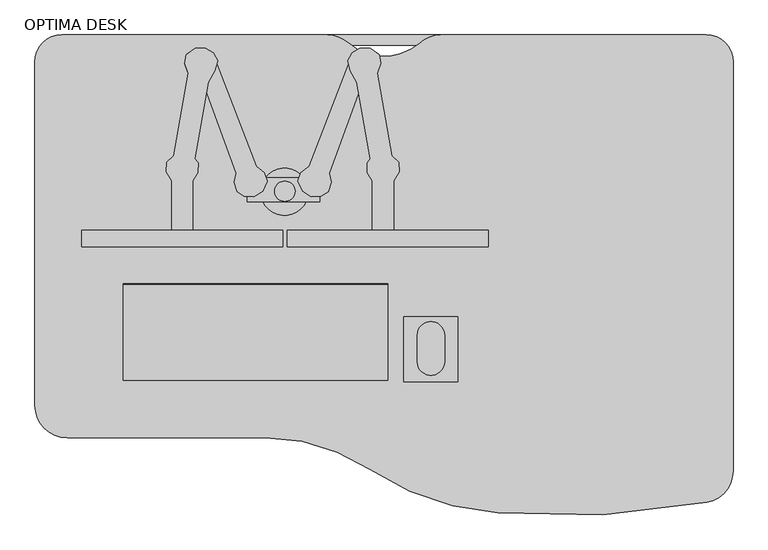
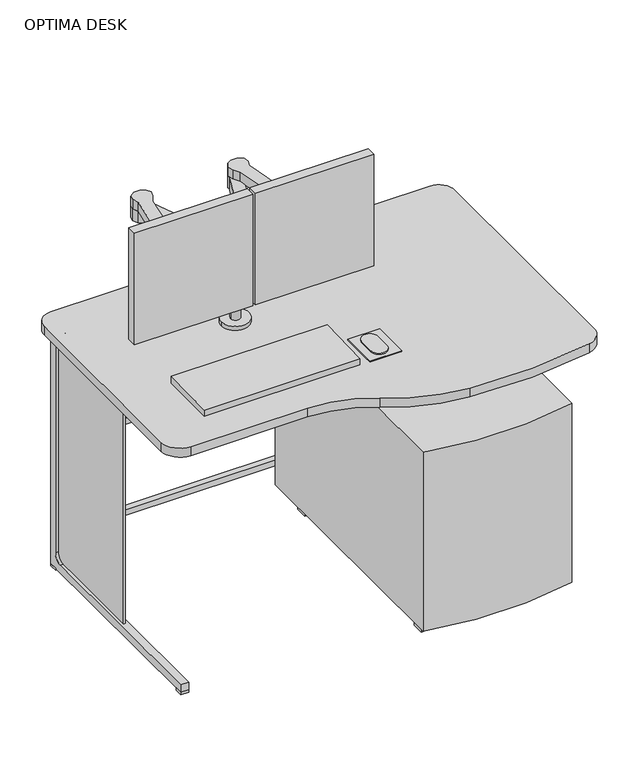
"""IFC4 building model written with IfcOpenShell, lengths in millimetres: proxy geometry, OPTIMA DESK."""

from ifc_helpers import new_model, si_unit, point, frame, frame_2d, origin, origin_with_axes, place, context, project, spatial, polyline, circle_curve, trimmed, segment, composite_curve, outline, extrude, source, transform, mapped, element, save
from ifc_brep_helpers import plane_surface, cylinder_surface, revolved_surface, advanced_brep


def optima_desk_09f1cd63(model_context):
    return source(origin(), model_context, "Body", "SolidModel", [
        advanced_brep(
        [(1249.99999, -127.1247, 850.0345549), (755.83009, -127.1247, 850.0345549), (716.143822, -142.1246985, 850.0345549), (583.8179801, -142.0909695, 850.0345549), (544.16999, -127.1247, 850.0345549), (50.0, -127.1247, 850.0345549), (0.0, -177.1247, 850.0345549), (0.0, -817.1247, 850.0345549), (60.0, -877.1247, 850.0345549), (429.30684, -877.1247, 850.0345549), (623.5856666, -935.9963133, 850.0345549), (862.2149998, -1016.6065319, 850.0345549), (1251.0591279, -997.5394888, 850.0345549), (1299.99999, -938.5675, 850.0345549), (1299.99999, -177.1247, 850.0345549), (1249.99999, -127.1247, 820.42), (1299.99999, -177.1247, 820.42), (1299.99999, -938.5675, 820.42), (1251.0591279, -997.5394888, 820.42), (862.2149998, -1016.6065319, 820.42), (623.5856666, -935.9963133, 820.42), (429.30684, -877.1247, 820.42), (60.0, -877.1247, 820.42), (0.0, -817.1247, 820.42), (0.0, -177.1247, 820.42), (50.0, -127.1247, 820.42), (544.16999, -127.1247, 820.42), (583.8179801, -142.0909695, 820.42), (716.14377, -142.1247024, 820.42), (755.83009, -127.1247, 820.42)],
        [
            (0, 1),
            (1, 2, circle_curve(frame((755.83009, -187.1247, 850.0345549), z_axis=(0.0, 0.0, 1.0), x_axis=(1.0, 0.0, 0.0)), 60.0)),
            (2, 3, circle_curve(frame((649.99999, -67.1247, 850.0345549), z_axis=(0.0, 0.0, -1.0), x_axis=(1.0, 0.0, 0.0)), 100.0)),
            (3, 4, circle_curve(frame((544.16999, -187.1247, 850.0345549), z_axis=(0.0, 0.0, 1.0), x_axis=(1.0, 0.0, 0.0)), 60.0)),
            (4, 5),
            (5, 6, circle_curve(frame((50.0, -177.1247, 850.0345549), z_axis=(0.0, 0.0, 1.0), x_axis=(1.0, 0.0, 0.0)), 50.0)),
            (6, 7),
            (7, 8, circle_curve(frame((60.0, -817.1247, 850.0345549), z_axis=(0.0, 0.0, 1.0), x_axis=(1.0, 0.0, 0.0)), 60.0)),
            (8, 9),
            (9, 10, circle_curve(frame((429.30684, -1227.1247, 850.0345549), z_axis=(0.0, 0.0, -1.0), x_axis=(1.0, 0.0, 0.0)), 350.0)),
            (10, 11, circle_curve(frame((897.76029, -517.8716, 850.0345549), z_axis=(0.0, 0.0, 1.0), x_axis=(1.0, 0.0, 0.0)), 500.0)),
            (11, 12, circle_curve(frame((987.49999, 402.8753, 850.0345549), z_axis=(0.0, 0.0, 1.0), x_axis=(1.0, 0.0, 0.0)), 1425.0)),
            (12, 13, circle_curve(frame((1239.99999, -938.5675, 850.0345549), z_axis=(0.0, 0.0, 1.0), x_axis=(1.0, 0.0, 0.0)), 60.0)),
            (13, 14),
            (14, 0, circle_curve(frame((1249.99999, -177.1247, 850.0345549), z_axis=(0.0, 0.0, 1.0), x_axis=(1.0, 0.0, 0.0)), 50.0)),
            (15, 16, circle_curve(frame((1249.99999, -177.1247, 820.42), z_axis=(0.0, 0.0, -1.0), x_axis=(1.0, 0.0, 0.0)), 50.0)),
            (16, 17),
            (17, 18, circle_curve(frame((1239.99999, -938.5675, 820.42), z_axis=(0.0, 0.0, -1.0), x_axis=(1.0, 0.0, 0.0)), 60.0)),
            (18, 19, circle_curve(frame((987.49999, 402.8753, 820.42), z_axis=(0.0, 0.0, -1.0), x_axis=(1.0, 0.0, 0.0)), 1425.0)),
            (19, 20, circle_curve(frame((897.76029, -517.8716, 820.42), z_axis=(0.0, 0.0, -1.0), x_axis=(1.0, 0.0, 0.0)), 500.0)),
            (20, 21, circle_curve(frame((429.30684, -1227.1247, 820.42), z_axis=(0.0, 0.0, 1.0), x_axis=(1.0, 0.0, 0.0)), 350.0)),
            (21, 22),
            (22, 23, circle_curve(frame((60.0, -817.1247, 820.42), z_axis=(0.0, 0.0, -1.0), x_axis=(1.0, 0.0, 0.0)), 60.0)),
            (23, 24),
            (24, 25, circle_curve(frame((50.0, -177.1247, 820.42), z_axis=(0.0, 0.0, -1.0), x_axis=(1.0, 0.0, 0.0)), 50.0)),
            (25, 26),
            (26, 27, circle_curve(frame((544.16999, -187.1247, 820.42), z_axis=(0.0, 0.0, -1.0), x_axis=(1.0, 0.0, 0.0)), 60.0)),
            (27, 28, circle_curve(frame((649.99999, -67.1247, 820.42), z_axis=(0.0, 0.0, 1.0), x_axis=(1.0, 0.0, 0.0)), 100.0)),
            (28, 29, circle_curve(frame((755.83009, -187.1247, 820.42), z_axis=(0.0, 0.0, -1.0), x_axis=(1.0, 0.0, 0.0)), 60.0)),
            (29, 15),
            (0, 15),
            (29, 1),
            (28, 2),
            (27, 3),
            (26, 4),
            (25, 5),
            (24, 6),
            (23, 7),
            (22, 8),
            (21, 9),
            (20, 10),
            (19, 11),
            (18, 12),
            (17, 13),
            (16, 14),
        ],
        [
            plane_surface(frame((755.83009, -127.1247, 850.0345549), z_axis=(0.0, 0.0, 1.0), x_axis=(-1.0, 0.0, 0.0))),
            plane_surface(frame((755.83009, -127.1247, 820.42), z_axis=(0.0, 0.0, -1.0), x_axis=(1.0, 0.0, 0.0))),
            plane_surface(frame((1249.99999, -127.1247, 850.0345549), z_axis=(0.0, 1.0, 0.0), x_axis=(0.0, 0.0, -1.0))),
            cylinder_surface(frame((755.83009, -187.1247, 820.42), z_axis=(0.0, 0.0, 1.0), x_axis=(1.0, 0.0, 0.0)), 60.0),
            revolved_surface(polyline([(749.99999, -67.1247, 820.42), (749.99999, -67.1247, 850.0345549)]), (649.99999, -67.1247, 820.42), (0.0, 0.0, -1.0)),
            cylinder_surface(frame((544.16999, -187.1247, 820.42), z_axis=(0.0, 0.0, 1.0), x_axis=(1.0, 0.0, 0.0)), 60.0),
            plane_surface(frame((544.16999, -127.1247, 850.0345549), z_axis=(0.0, 1.0, 0.0), x_axis=(0.0, 0.0, -1.0))),
            cylinder_surface(frame((50.0, -177.1247, 820.42), z_axis=(0.0, 0.0, 1.0), x_axis=(1.0, 0.0, 0.0)), 50.0),
            plane_surface(frame((0.0, -177.1247, 850.0345549), z_axis=(-1.0, 0.0, 0.0), x_axis=(0.0, 0.0, -1.0))),
            cylinder_surface(frame((60.0, -817.1247, 820.42), z_axis=(0.0, 0.0, 1.0), x_axis=(1.0, 0.0, 0.0)), 60.0),
            plane_surface(frame((60.0, -877.1247, 850.0345549), z_axis=(0.0, -1.0, 0.0), x_axis=(0.0, 0.0, -1.0))),
            revolved_surface(polyline([(779.30684, -1227.1247, 820.42), (779.30684, -1227.1247, 850.0345549)]), (429.30684, -1227.1247, 820.42), (0.0, 0.0, -1.0)),
            cylinder_surface(frame((897.76029, -517.8716, 820.42), z_axis=(0.0, 0.0, 1.0), x_axis=(1.0, 0.0, 0.0)), 500.0),
            cylinder_surface(frame((987.49999, 402.8753, 820.42), z_axis=(0.0, 0.0, 1.0), x_axis=(1.0, 0.0, 0.0)), 1425.0),
            cylinder_surface(frame((1239.99999, -938.5675, 820.42), z_axis=(0.0, 0.0, 1.0), x_axis=(1.0, 0.0, 0.0)), 60.0),
            plane_surface(frame((1299.99999, -938.5675, 850.0345549), z_axis=(1.0, 0.0, 0.0), x_axis=(0.0, 0.0, -1.0))),
            cylinder_surface(frame((1249.99999, -177.1247, 820.42), z_axis=(0.0, 0.0, 1.0), x_axis=(1.0, 0.0, 0.0)), 50.0),
        ],
        [
            (0, [[1, 2, 3, 4, 5, 6, 7, 8, 9, 10, 11, 12, 13, 14, 15]]),
            (1, [[16, 17, 18, 19, 20, 21, 22, 23, 24, 25, 26, 27, 28, 29, 30]]),
            (2, [[-1, 31, -30, 32]]),
            (3, [[-2, -32, -29, 33]]),
            (4, [[-3, -33, -28, 34]]),
            (5, [[-4, -34, -27, 35]]),
            (6, [[-5, -35, -26, 36]]),
            (7, [[-6, -36, -25, 37]]),
            (8, [[-7, -37, -24, 38]]),
            (9, [[-8, -38, -23, 39]]),
            (10, [[-9, -39, -22, 40]]),
            (11, [[-10, -40, -21, 41]]),
            (12, [[-11, -41, -20, 42]]),
            (13, [[-12, -42, -19, 43]]),
            (14, [[-13, -43, -18, 44]]),
            (15, [[-14, -44, -17, 45]]),
            (16, [[-15, -45, -16, -31]]),
        ],
    ),
        extrude(outline(composite_curve([segment(trimmed(circle_curve(frame_2d((465.2956382, -418.208129)), 19.05), [point((446.2456382, -418.208129))], [point((484.3456382, -418.208129))], False, "CARTESIAN"), True, "CONTINUOUS"), segment(trimmed(circle_curve(frame_2d((465.2956382, -418.208129)), 19.05), [point((484.3456382, -418.208129))], [point((446.2456382, -418.208129))], False, "CARTESIAN"), True, "CONTINUOUS")], self_intersect=False)), frame((0.0, 0.0, 1137.5971263), z_axis=(0.0, 0.0, 1.0), x_axis=(1.0, 0.0, 0.0)), (0.0, 0.0, 1.0), 24.6562514),
        extrude(outline(polyline([(510.7533676, -371.3020549), (584.156147, -180.7283233), (582.6836504, -175.0888251), (590.6745024, -160.6438235), (605.5079042, -151.5621489), (624.5486092, -152.157171), (639.9356216, -162.9850686), (643.3771115, -180.5053807), (637.6650035, -196.2016775), (622.2795936, -208.5703403), (612.0768343, -208.5703403), (548.1610307, -384.8774165), (551.7811271, -401.7711998), (546.0493078, -419.2683326), (532.4739462, -427.7152242), (514.9768134, -428.3185737), (498.3847048, -417.7599591), (489.6558497, -399.3670145), (495.3679578, -383.6707177), (510.7533676, -371.3020549)])), frame((0.0, 0.0, 1107.3793916), z_axis=(0.0, 0.0, 1.0), x_axis=(1.0, 0.0, 0.0)), (0.0, 0.0, 1.0), 39.2906989),
        extrude(outline(polyline([(668.276634, -398.9166578), (668.276634, -490.927442), (628.4555733, -490.927442), (628.4555733, -398.9166578), (619.1036575, -383.531248), (618.8019828, -365.4307658), (624.824874, -358.1302916), (599.6131866, -214.791934), (587.5526417, -193.7365202), (582.6010185, -174.7723538), (590.4445607, -160.5936428), (605.2266212, -151.5434017), (624.5338021, -152.1467511), (640.8242361, -163.6103898), (644.0194418, -179.8768921), (637.2032709, -198.6070426), (664.4793843, -351.6563457), (677.6285498, -364.5257417), (678.2318992, -382.0228744), (668.276634, -398.9166578)])), frame((0.0, 0.0, 1146.6700905), z_axis=(0.0, 0.0, 1.0), x_axis=(1.0, 0.0, 0.0)), (0.0, 0.0, 1.0), 31.6242211),
        extrude(outline(polyline([(411.9022086, -371.3020549), (427.2876184, -383.6707177), (432.9997264, -399.3670145), (424.2708714, -417.7599591), (407.6787627, -428.3185737), (390.18163, -427.7152242), (376.6062684, -419.2683326), (370.874449, -401.7711998), (374.4945455, -384.8774165), (310.5787419, -208.5703403), (300.3759825, -208.5703403), (284.9905727, -196.2016775), (279.2784647, -180.5053807), (282.7199545, -162.9850686), (298.1069669, -152.157171), (317.147672, -151.5621489), (331.9810737, -160.6438235), (339.9719257, -175.0888251), (338.4994291, -180.7283233), (411.9022086, -371.3020549)])), frame((0.0, 0.0, 1107.3793916), z_axis=(0.0, 0.0, 1.0), x_axis=(1.0, 0.0, 0.0)), (0.0, 0.0, 1.0), 39.2906989),
        extrude(outline(polyline([(254.3789422, -398.9166578), (244.423677, -382.0228744), (245.0270264, -364.5257417), (258.1761919, -351.6563457), (285.4523053, -198.6070426), (278.6361343, -179.8768921), (281.8313401, -163.6103898), (298.121774, -152.1467511), (317.428955, -151.5434017), (332.2110154, -160.5936428), (340.0545577, -174.7723538), (335.1029345, -193.7365202), (323.0423896, -214.791934), (297.8307022, -358.1302916), (303.8535934, -365.4307658), (303.5519187, -383.531248), (294.2000029, -398.9166578), (294.2000029, -490.927442), (254.3789422, -490.927442), (254.3789422, -398.9166578)])), frame((0.0, 0.0, 1146.6700905), z_axis=(0.0, 0.0, 1.0), x_axis=(1.0, 0.0, 0.0)), (0.0, 0.0, 1.0), 31.6242211),
        extrude(outline(polyline([(530.3937119, -438.1336983), (395.226634, -438.1336983), (395.226634, -392.7217583), (530.3937119, -392.7217583), (530.3937119, -438.1336983)])), frame((0.0, 0.0, 1119.8374181), z_axis=(0.0, 0.0, 1.0), x_axis=(1.0, 0.0, 0.0)), (0.0, 0.0, 1.0), 17.7597082),
        extrude(outline(composite_curve([segment(trimmed(circle_curve(frame_2d((465.5020502, -419.388992)), 15.0274611), [point((480.5295113, -419.388992))], [point((450.474589, -419.388992))], False, "CARTESIAN"), True, "CONTINUOUS"), segment(trimmed(circle_curve(frame_2d((465.5020502, -419.388992)), 15.0274611), [point((450.474589, -419.388992))], [point((480.5295113, -419.388992))], False, "CARTESIAN"), True, "CONTINUOUS")], self_intersect=False)), frame((0.0, 0.0, 864.0228857), z_axis=(0.0, 0.0, 1.0), x_axis=(1.0, 0.0, 0.0)), (0.0, 0.0, 1.0), 282.6472048),
        extrude(outline(composite_curve([segment(trimmed(circle_curve(frame_2d((464.8093204, -418.9690674)), 44.1783279), [point((508.9876483, -418.9690674))], [point((420.6309925, -418.9690674))], False, "CARTESIAN"), True, "CONTINUOUS"), segment(trimmed(circle_curve(frame_2d((464.8093204, -418.9690674)), 44.1783279), [point((420.6309925, -418.9690674))], [point((508.9876483, -418.9690674))], False, "CARTESIAN"), True, "CONTINUOUS")], self_intersect=False)), frame((0.0, 0.0, 850.0345549), z_axis=(0.0, 0.0, 1.0), x_axis=(1.0, 0.0, 0.0)), (0.0, 0.0, 1.0), 13.9883308),
        extrude(outline(polyline([(87.251157, -521.4608822), (87.251157, -491.293412), (461.3277881, -491.293412), (461.3277881, -521.4608822), (87.251157, -521.4608822)])), frame((0.0, 0.0, 965.9634254), z_axis=(0.0, 0.0, 1.0), x_axis=(1.0, 0.0, 0.0)), (0.0, 0.0, 1.0), 372.8798503),
        extrude(outline(polyline([(470.0763544, -491.293412), (843.8513108, -491.293412), (843.8513108, -521.4608822), (470.0763544, -521.4608822), (470.0763544, -491.293412)])), frame((0.0, 0.0, 965.9634254), z_axis=(0.0, 0.0, 1.0), x_axis=(1.0, 0.0, 0.0)), (0.0, 0.0, 1.0), 372.8798503),
        extrude(outline(composite_curve([segment(trimmed(circle_curve(frame_2d((737.2731212, -735.4237433)), 25.4), [point((762.6731212, -735.4237433))], [point((711.8731212, -735.4237433))], False, "CARTESIAN"), True, "CONTINUOUS"), segment(polyline([(711.8731212, -735.4237433), (711.8731212, -686.3075037)]), True, "CONTINUOUS"), segment(trimmed(circle_curve(frame_2d((737.2731212, -686.3075037)), 25.4), [point((711.8731212, -686.3075037))], [point((762.6731212, -686.3075037))], False, "CARTESIAN"), True, "CONTINUOUS"), segment(polyline([(762.6731212, -686.3075037), (762.6731212, -735.4237433)]), True, "CONTINUOUS")], self_intersect=False)), frame((0.0, 0.0, 853.0398703), z_axis=(0.0, 0.0, 1.0), x_axis=(1.0, 0.0, 0.0)), (0.0, 0.0, 1.0), 4.6445578),
        extrude(outline(polyline([(787.6109239, -651.8761639), (787.6109239, -772.9122926), (686.5741145, -772.9122926), (686.5741145, -651.8761639), (787.6109239, -651.8761639)])), frame((0.0, 0.0, 847.1754789), z_axis=(0.0, 0.0, 1.0), x_axis=(1.0, 0.0, 0.0)), (0.0, 0.0, 1.0), 5.8643915),
        extrude(outline(polyline([(556.5913044, 0.0), (556.5913044, -179.556892), (64.2033836, -179.556892), (64.2033836, 0.0), (556.5913044, 0.0)])), frame((100.0989364, -590.3493914, 852.6135825), z_axis=(0.0, -0.023626480133413532, 0.9997208557574987), x_axis=(1.0, 0.0, 0.0)), (0.0, 0.0, 1.0), 23.0517179),
        extrude(outline(polyline([(76.2, -127.1247), (1223.79999, -127.1247), (1223.79999, -146.1747), (76.2, -146.1747), (76.2, -127.1247)])), frame((0.0, 0.0, 101.6), z_axis=(0.0, 0.0, 1.0), x_axis=(1.0, 0.0, 0.0)), (0.0, 0.0, 1.0), 19.1616821),
        extrude(outline(polyline([(76.2, -127.1247), (1223.79999, -127.1247), (1223.79999, -146.1747), (76.2, -146.1747), (76.2, -127.1247)])), frame((0.0, 0.0, 406.4), z_axis=(0.0, 0.0, 1.0), x_axis=(1.0, 0.0, 0.0)), (0.0, 0.0, 1.0), 19.1616821),
        extrude(outline(composite_curve([segment(polyline([(-508.1247, 33.02), (-508.1247, 795.02), (-177.9247, 795.02)]), True, "CONTINUOUS"), segment(trimmed(circle_curve(frame_2d((-177.9247, 769.62)), 25.4), [point((-177.9247, 795.02))], [point((-152.5247, 769.62))], False, "CARTESIAN"), True, "CONTINUOUS"), segment(polyline([(-152.5247, 769.62), (-152.5247, 58.42)]), True, "CONTINUOUS"), segment(trimmed(circle_curve(frame_2d((-177.9247, 58.42)), 25.4), [point((-152.5247, 58.42))], [point((-177.9247, 33.02))], False, "CARTESIAN"), True, "CONTINUOUS"), segment(polyline([(-177.9247, 33.02), (-508.1247, 33.02)]), True, "CONTINUOUS")], self_intersect=False)), frame((60.325, 0.0, 0.0), z_axis=(1.0, 0.0, 0.0), x_axis=(0.0, 1.0, 0.0)), (0.0, 0.0, 1.0), 6.35),
        extrude(outline(composite_curve([segment(polyline([(-508.1247, 33.02), (-508.1247, 795.02), (-177.9247, 795.02)]), True, "CONTINUOUS"), segment(trimmed(circle_curve(frame_2d((-177.9247, 769.62)), 25.4), [point((-177.9247, 795.02))], [point((-152.5247, 769.62))], False, "CARTESIAN"), True, "CONTINUOUS"), segment(polyline([(-152.5247, 769.62), (-152.5247, 58.42)]), True, "CONTINUOUS"), segment(trimmed(circle_curve(frame_2d((-177.9247, 58.42)), 25.4), [point((-152.5247, 58.42))], [point((-177.9247, 33.02))], False, "CARTESIAN"), True, "CONTINUOUS"), segment(polyline([(-177.9247, 33.02), (-508.1247, 33.02)]), True, "CONTINUOUS")], self_intersect=False)), frame((1233.32499, 0.0, 0.0), z_axis=(1.0, 0.0, 0.0), x_axis=(0.0, 1.0, 0.0)), (0.0, 0.0, 1.0), 6.35),
        extrude(outline(polyline([(76.2, -812.9247), (76.2, -838.3247), (50.8, -838.3247), (50.8, -812.9247), (76.2, -812.9247)])), origin_with_axes(), (0.0, 0.0, 1.0), 7.62),
        extrude(outline(polyline([(76.2, -127.1247), (76.2, -152.5247), (50.8, -152.5247), (50.8, -127.1247), (76.2, -127.1247)])), origin_with_axes(), (0.0, 0.0, 1.0), 7.62),
        extrude(outline(polyline([(1223.79999, -838.3247), (1223.79999, -812.9247), (1249.19999, -812.9247), (1249.19999, -838.3247), (1223.79999, -838.3247)])), origin_with_axes(), (0.0, 0.0, 1.0), 7.62),
        extrude(outline(polyline([(1223.79999, -152.5247), (1223.79999, -127.1247), (1249.19999, -127.1247), (1249.19999, -152.5247), (1223.79999, -152.5247)])), origin_with_axes(), (0.0, 0.0, 1.0), 7.62),
        extrude(outline(composite_curve([segment(polyline([(-127.1247, 7.62), (-838.3247, 7.62), (-838.3247, 33.02), (-177.9247, 33.02)]), True, "CONTINUOUS"), segment(trimmed(circle_curve(frame_2d((-177.9247, 58.42)), 25.4), [point((-177.9247, 33.02))], [point((-152.5247, 58.42))], True, "CARTESIAN"), True, "CONTINUOUS"), segment(polyline([(-152.5247, 58.42), (-152.5247, 769.62)]), True, "CONTINUOUS"), segment(trimmed(circle_curve(frame_2d((-177.9247, 769.62)), 25.4), [point((-152.5247, 769.62))], [point((-177.9247, 795.02))], True, "CARTESIAN"), True, "CONTINUOUS"), segment(polyline([(-177.9247, 795.02), (-838.3247, 795.02), (-838.3247, 820.42), (-127.1247, 820.42), (-127.1247, 7.62)]), True, "CONTINUOUS")], self_intersect=False)), frame((50.8, 0.0, 0.0), z_axis=(1.0, 0.0, 0.0), x_axis=(0.0, 1.0, 0.0)), (0.0, 0.0, 1.0), 25.4),
        extrude(outline(composite_curve([segment(polyline([(-127.1247, 7.62), (-838.3247, 7.62), (-838.3247, 33.02), (-177.9247, 33.02)]), True, "CONTINUOUS"), segment(trimmed(circle_curve(frame_2d((-177.9247, 58.42)), 25.4), [point((-177.9247, 33.02))], [point((-152.5247, 58.42))], True, "CARTESIAN"), True, "CONTINUOUS"), segment(polyline([(-152.5247, 58.42), (-152.5247, 769.62)]), True, "CONTINUOUS"), segment(trimmed(circle_curve(frame_2d((-177.9247, 769.62)), 25.4), [point((-152.5247, 769.62))], [point((-177.9247, 795.02))], True, "CARTESIAN"), True, "CONTINUOUS"), segment(polyline([(-177.9247, 795.02), (-838.3247, 795.02), (-838.3247, 820.42), (-127.1247, 820.42), (-127.1247, 7.62)]), True, "CONTINUOUS")], self_intersect=False)), frame((1223.79999, 0.0, 0.0), z_axis=(1.0, 0.0, 0.0), x_axis=(0.0, 1.0, 0.0)), (0.0, 0.0, 1.0), 25.4),
        extrude(outline(polyline([(1160.0589726, -269.0491135), (1160.0589726, -231.4943368), (1194.6796422, -231.4943368), (1194.6796422, -269.0491135), (1160.0589726, -269.0491135)])), origin_with_axes(), (0.0, 0.0, 1.0), 41.0096689),
        extrude(outline(polyline([(1160.0589726, -908.1336552), (1160.0589726, -870.5788785), (1194.6796422, -870.5788785), (1194.6796422, -908.1336552), (1160.0589726, -908.1336552)])), origin_with_axes(), (0.0, 0.0, 1.0), 41.0096689),
        extrude(outline(composite_curve([segment(polyline([(747.99809, -148.9133845), (1217.89809, -148.9133845), (1217.89809, -958.706416)]), True, "CONTINUOUS"), segment(trimmed(circle_curve(frame_2d((982.94809, 115.237334)), 1099.34375), [point((1217.89809, -958.706416))], [point((747.99809, -958.706416))], False, "CARTESIAN"), True, "CONTINUOUS"), segment(polyline([(747.99809, -958.706416), (747.99809, -148.9133845)]), True, "CONTINUOUS")], self_intersect=False)), frame((0.0, 0.0, 41.0096689), z_axis=(0.0, 0.0, 1.0), x_axis=(1.0, 0.0, 0.0)), (0.0, 0.0, 1.0), 598.8163311),
        extrude(outline(polyline([(805.8372074, -231.4943368), (805.8372074, -269.0491135), (771.2165378, -269.0491135), (771.2165378, -231.4943368), (805.8372074, -231.4943368)])), origin_with_axes(), (0.0, 0.0, 1.0), 41.0096689),
        extrude(outline(polyline([(805.8372074, -870.5788785), (805.8372074, -908.1336552), (771.2165378, -908.1336552), (771.2165378, -870.5788785), (805.8372074, -870.5788785)])), origin_with_axes(), (0.0, 0.0, 1.0), 41.0096689),
    ])


if __name__ == "__main__":
    model = new_model("IFC4")
    model_context = context("Model", 3, world=origin())
    ifc_project = project(units=[si_unit("LENGTHUNIT", "METRE", prefix="MILLI")], contexts=[model_context])
    site = spatial("IfcSite", under=ifc_project)
    building = spatial("IfcBuilding", under=site)
    placement = place(None, origin())
    optima_desk_shape = optima_desk_09f1cd63(model_context)
    element("IfcBuildingElementProxy", 1, Name="OPTIMA DESK", ObjectType="OPTIMA DESK", at=placement, inside=building, context=model_context, shape_type="MappedRepresentation", body=[
        mapped(optima_desk_shape, transform((0.0, 0.0, 0.0), x_axis=(1.0, 0.0, 0.0), y_axis=(0.0, 1.0, 0.0), z_axis=(0.0, 0.0, 1.0))),
    ])
    save(model, "model.ifc")
